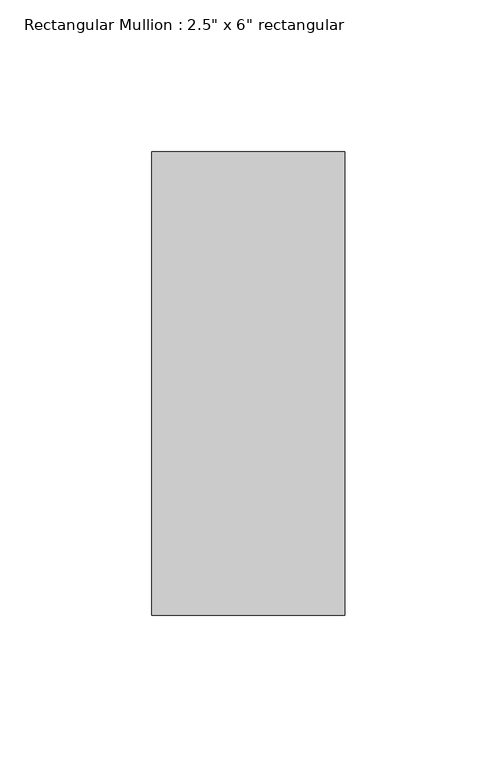
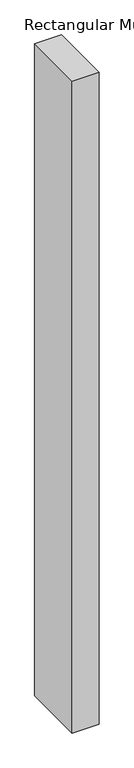
"""IFC4 building model written with IfcOpenShell, lengths in millimetres: member geometry."""

import ifcopenshell
import ifcopenshell.guid

model = None  # the IFC model being written
_history = None  # IfcOwnerHistory: only IFC2X3 demands one
_inside = {}  # id of a spatial element -> (the spatial element, [elements in it])
_under = {}  # id of a project, library or spatial element -> (it, [spatial elements below it])
_declared = {}  # id of a project -> (the project, [libraries it declares])
_typed = {}  # id of a type object -> (the type object, [elements of that type])
_made_of = {}  # id of a material, layer set ... -> (it, [elements and type objects made of it])


def new_model(schema):
    """Start an empty IFC model of exactly this schema.

    Asked for "IFC4X3", IfcOpenShell would pick the latest addendum, in which some entities
    have other attributes; the version numbers below select the first issue.
    IFC2X3 requires an IfcOwnerHistory on every rooted entity: one is made here for all.
    """
    global model, _history
    if schema == "IFC4X3":
        model = ifcopenshell.file(schema_version=(4, 3, 0, 0))
    else:
        model = ifcopenshell.file(schema=schema)
    _inside.clear()
    _under.clear()
    _declared.clear()
    _typed.clear()
    _made_of.clear()
    _history = None
    if model.schema == "IFC2X3":
        org = make("IfcOrganization", Name="unknown")
        user = make(
            "IfcPersonAndOrganization",
            ThePerson=make("IfcPerson", FamilyName="unknown"),
            TheOrganization=org,
        )
        app = make(
            "IfcApplication",
            ApplicationDeveloper=org,
            Version="unknown",
            ApplicationFullName="unknown",
            ApplicationIdentifier="unknown",
        )
        _history = make(
            "IfcOwnerHistory",
            OwningUser=user,
            OwningApplication=app,
            ChangeAction="ADDED",
            CreationDate=0,
        )
    return model


def make(cls, **values):
    """One entity of the class cls with the attributes given. An attribute that is None is left unset."""
    return model.create_entity(
        cls, **{name: value for name, value in values.items() if value is not None}
    )


def rooted(cls, **values):
    """An entity with a GlobalId (a new one), such as an element, a storey or a relation."""
    return make(cls, GlobalId=ifcopenshell.guid.new(), OwnerHistory=_history, **values)


def si_unit(unit_type, name, prefix=None):
    """IfcSIUnit, for example si_unit("LENGTHUNIT", "METRE", prefix="MILLI")."""
    return make("IfcSIUnit", UnitType=unit_type, Prefix=prefix, Name=name)


def assignment(units):
    """IfcUnitAssignment: the units of a project."""
    return None if units is None else make("IfcUnitAssignment", Units=units)


def point(xyz):
    """IfcCartesianPoint."""
    return None if xyz is None else make("IfcCartesianPoint", Coordinates=xyz)


def direction(xyz):
    """IfcDirection."""
    return None if xyz is None else make("IfcDirection", DirectionRatios=xyz)


def frame(location, z_axis=None, x_axis=None):
    """IfcAxis2Placement3D, a coordinate frame: its origin and axes. An axis left out is left unset."""
    return make(
        "IfcAxis2Placement3D",
        Location=point(location),
        Axis=direction(z_axis),
        RefDirection=direction(x_axis),
    )


def origin():
    """The frame at (0, 0, 0) with its axes left unset."""
    return frame((0.0, 0.0, 0.0))


def place(relative_to, where):
    """IfcLocalPlacement: puts the frame where relative to a parent placement (None: the world)."""
    return make(
        "IfcLocalPlacement", PlacementRelTo=relative_to, RelativePlacement=where
    )


def context(
    kind, dimensions, precision=None, world=None, true_north=None, identifier=None
):
    """IfcGeometricRepresentationContext, for example the 3D "Model" context."""
    return make(
        "IfcGeometricRepresentationContext",
        ContextIdentifier=identifier,
        ContextType=kind,
        CoordinateSpaceDimension=dimensions,
        Precision=precision,
        WorldCoordinateSystem=world,
        TrueNorth=true_north,
    )


def project(units=None, contexts=None):
    """IfcProject with its units and contexts."""
    return rooted(
        "IfcProject",
        Name="project",
        RepresentationContexts=contexts,
        UnitsInContext=assignment(units),
    )


def spatial(cls, under=None, at=None, **own):
    """A site, building, storey or space (cls), placed at a placement, below another one or the project."""
    s = rooted(cls, ObjectPlacement=at, **own)
    if under is not None:
        _under.setdefault(under.id(), (under, []))[1].append(s)
    return s


def polyline(points):
    """IfcPolyline through the points."""
    return make("IfcPolyline", Points=[point(p) for p in points])


def outline(outer, holes=None, kind="AREA"):
    """IfcArbitraryClosedProfileDef: a profile drawn as a closed curve; with holes, ...WithVoids."""
    if holes is None:
        return make("IfcArbitraryClosedProfileDef", ProfileType=kind, OuterCurve=outer)
    return make(
        "IfcArbitraryProfileDefWithVoids",
        ProfileType=kind,
        OuterCurve=outer,
        InnerCurves=holes,
    )


def extrude(swept, where, along, depth):
    """IfcExtrudedAreaSolid: the profile swept, set in the frame where, extruded along a direction by depth."""
    return make(
        "IfcExtrudedAreaSolid",
        SweptArea=swept,
        Position=where,
        ExtrudedDirection=direction(along),
        Depth=depth,
    )


def shape(context_of_items, identifier, shape_type, items):
    """IfcShapeRepresentation: the items that make up one representation, for example the "Body"."""
    return make(
        "IfcShapeRepresentation",
        ContextOfItems=context_of_items,
        RepresentationIdentifier=identifier,
        RepresentationType=shape_type,
        Items=items,
    )


def source(mapping_origin, context_of_items, identifier, shape_type, items):
    """IfcRepresentationMap: a shape defined once, which mapped items show again and again."""
    return make(
        "IfcRepresentationMap",
        MappingOrigin=mapping_origin,
        MappedRepresentation=shape(context_of_items, identifier, shape_type, items),
    )


def transform(
    local_origin,
    x_axis=None,
    y_axis=None,
    z_axis=None,
    scale=None,
    scale2=None,
    scale3=None,
    uniform=True,
):
    """IfcCartesianTransformationOperator3D, or its non-uniform kind. x_axis, y_axis, z_axis: its Axis1, 2, 3."""
    if uniform:
        return make(
            "IfcCartesianTransformationOperator3D",
            Axis1=direction(x_axis),
            Axis2=direction(y_axis),
            LocalOrigin=point(local_origin),
            Scale=scale,
            Axis3=direction(z_axis),
        )
    return make(
        "IfcCartesianTransformationOperator3DnonUniform",
        Axis1=direction(x_axis),
        Axis2=direction(y_axis),
        LocalOrigin=point(local_origin),
        Scale=scale,
        Axis3=direction(z_axis),
        Scale2=scale2,
        Scale3=scale3,
    )


def mapped(mapping_source, mapping_target):
    """IfcMappedItem: shows the shape of a source again, moved by a transform."""
    return make(
        "IfcMappedItem", MappingSource=mapping_source, MappingTarget=mapping_target
    )


def made_of(thing, what):
    """Note that an element or type object is made of a material, layer set ...; save() writes the relation."""
    if what is not None:
        _made_of.setdefault(what.id(), (what, []))[1].append(thing)
    return thing


def element(
    cls,
    number,
    at=None,
    inside=None,
    cuts=None,
    type_object=None,
    material=None,
    context=None,
    identifier="Body",
    shape_type=None,
    held_by="IfcProductDefinitionShape",
    body=None,
    shapes=None,
    **own,
):
    """One element of the class cls, such as IfcWall. Its Tag is "e" and its number.

    at: its placement. inside: the storey or other place that contains it. cuts: it is an
    opening in that element (IfcRelVoidsElement). A single representation is given by context,
    identifier, shape_type and body (its items); several are given by shapes. held_by: the class
    of the entity that holds the representations. save() writes the other relations.
    """
    e = rooted(cls, Tag="e%d" % number, ObjectPlacement=at, **own)
    if body is not None:
        shapes = [shape(context, identifier, shape_type, body)]
    if shapes is not None:
        e.Representation = make(held_by, Representations=shapes)
    if inside is not None:
        _inside.setdefault(inside.id(), (inside, []))[1].append(e)
    if cuts is not None:
        rooted(
            "IfcRelVoidsElement", RelatingBuildingElement=cuts, RelatedOpeningElement=e
        )
    if type_object is not None:
        _typed.setdefault(type_object.id(), (type_object, []))[1].append(e)
    return made_of(e, material)


def aggregate(whole, parts):
    """IfcRelAggregates: a whole, such as a stair, and the parts it consists of."""
    return rooted("IfcRelAggregates", RelatingObject=whole, RelatedObjects=parts)


def save(model, path):
    """Write the relations noted so far, then the file.

    IfcRelAggregates (storeys below a building ...), IfcRelContainedInSpatialStructure (elements
    in a storey), IfcRelDefinesByType, IfcRelAssociatesMaterial and IfcRelDeclares: one each for
    every whole, place, type object, material and project.
    """
    for whole, parts in _under.values():
        aggregate(whole, parts)
    for where, things in _inside.values():
        rooted(
            "IfcRelContainedInSpatialStructure",
            RelatedElements=things,
            RelatingStructure=where,
        )
    for kind, things in _typed.values():
        rooted("IfcRelDefinesByType", RelatedObjects=things, RelatingType=kind)
    for what, things in _made_of.values():
        rooted("IfcRelAssociatesMaterial", RelatedObjects=things, RelatingMaterial=what)
    for by, libraries in _declared.values():
        rooted("IfcRelDeclares", RelatingContext=by, RelatedDefinitions=libraries)
    model.write(path)


def member_559ef83d(model_context):
    return source(origin(), model_context, "Body", "SweptSolid", [
        extrude(outline(polyline([(0.0, 60.325), (0.0, -92.075), (-63.5, -92.075), (-63.5, 60.325), (0.0, 60.325)])), frame((0.0, 0.0, -1619.25), z_axis=(0.0, 0.0, 1.0), x_axis=(1.0, 0.0, 0.0)), (0.0, 0.0, 1.0), 1619.25),
    ])


if __name__ == "__main__":
    model = new_model("IFC4")
    model_context = context("Model", 3, world=origin())
    ifc_project = project(units=[si_unit("LENGTHUNIT", "METRE", prefix="MILLI")], contexts=[model_context])
    site = spatial("IfcSite", under=ifc_project)
    building = spatial("IfcBuilding", under=site)
    placement = place(None, origin())
    member_shape = member_559ef83d(model_context)
    element("IfcMember", 1, ObjectType="Rectangular Mullion : 2.5\" x 6\" rectangular", at=placement, inside=building, context=model_context, shape_type="MappedRepresentation", body=[
        mapped(member_shape, transform((0.0, 0.0, 0.0), x_axis=(1.0, 0.0, 0.0), y_axis=(0.0, 1.0, 0.0), z_axis=(0.0, 0.0, 1.0))),
    ])
    save(model, "model.ifc")
